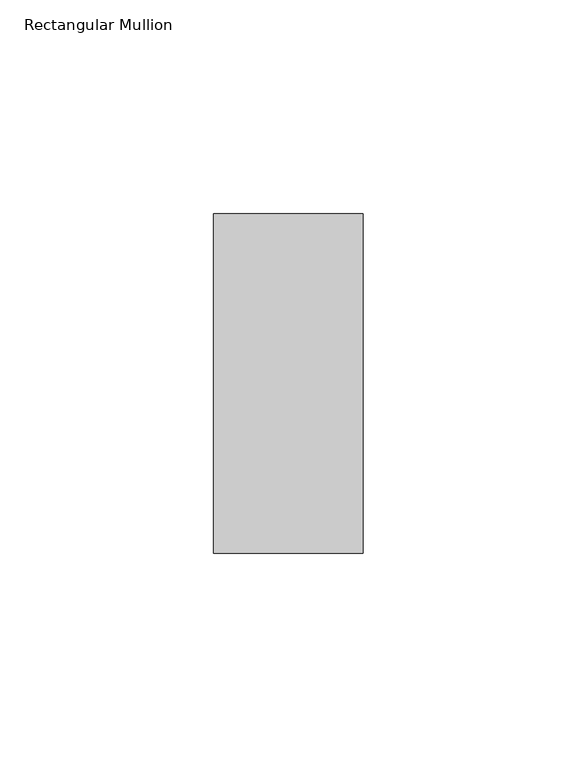
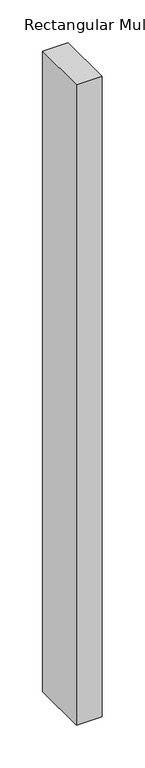
"""IFC4 building model written with IfcOpenShell, lengths in millimetres: member geometry, Rectangular Mullion."""

from ifc_helpers import new_model, si_unit, frame, origin, place, context, project, spatial, polyline, outline, extrude, source, transform, mapped, element, save


def rectangular_mullion_ec3ff83c(model_context):
    return source(origin(), model_context, "Body", "SweptSolid", [
        extrude(outline(polyline([(0.0, 34.925), (0.0, -44.45), (-34.925, -44.45), (-34.925, 34.925), (0.0, 34.925)])), frame((0.0, 0.0, -915.9875), z_axis=(0.0, 0.0, 1.0), x_axis=(1.0, 0.0, 0.0)), (0.0, 0.0, 1.0), 915.9875),
    ])


if __name__ == "__main__":
    model = new_model("IFC4")
    model_context = context("Model", 3, world=origin())
    ifc_project = project(units=[si_unit("LENGTHUNIT", "METRE", prefix="MILLI")], contexts=[model_context])
    site = spatial("IfcSite", under=ifc_project)
    building = spatial("IfcBuilding", under=site)
    placement = place(None, origin())
    rectangular_mullion_shape = rectangular_mullion_ec3ff83c(model_context)
    element("IfcMember", 1, ObjectType="Rectangular Mullion", at=placement, inside=building, context=model_context, shape_type="MappedRepresentation", body=[
        mapped(rectangular_mullion_shape, transform((0.0, 0.0, 0.0), x_axis=(1.0, 0.0, 0.0), y_axis=(0.0, 1.0, 0.0), z_axis=(0.0, 0.0, 1.0))),
    ])
    save(model, "model.ifc")
